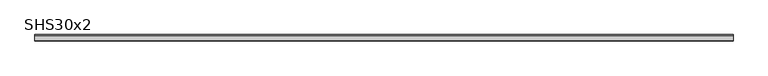
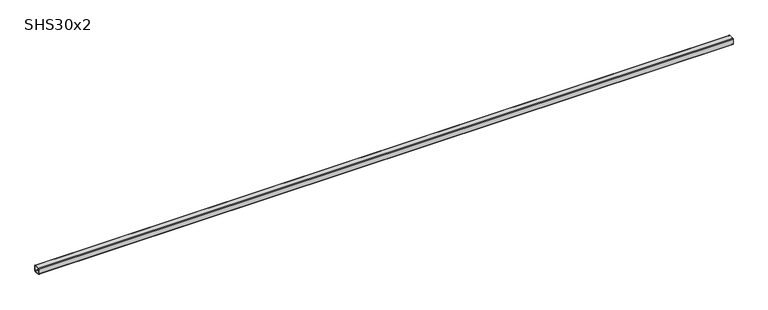
"""IFC4 building model written with IfcOpenShell, lengths in millimetres: beam geometry, SHS30x2."""

from ifc_helpers import new_model, si_unit, point, frame, frame_2d, origin, place, context, project, spatial, polyline, circle_curve, trimmed, segment, composite_curve, outline, extrude, source, transform, mapped, element, save


def shs30x2_bedc5bcc(model_context):
    return source(origin(), model_context, "Body", "SweptSolid", [
        extrude(outline(composite_curve([segment(polyline([(15.0, 11.0), (15.0, -11.0)]), True, "CONTINUOUS"), segment(trimmed(circle_curve(frame_2d((11.0, -11.0)), 4.0), [point((15.0, -11.0))], [point((11.0, -15.0))], False, "CARTESIAN"), True, "CONTINUOUS"), segment(polyline([(11.0, -15.0), (-11.0, -15.0)]), True, "CONTINUOUS"), segment(trimmed(circle_curve(frame_2d((-11.0, -11.0)), 4.0), [point((-11.0, -15.0))], [point((-15.0, -11.0))], False, "CARTESIAN"), True, "CONTINUOUS"), segment(polyline([(-15.0, -11.0), (-15.0, 11.0)]), True, "CONTINUOUS"), segment(trimmed(circle_curve(frame_2d((-11.0, 11.0)), 4.0), [point((-15.0, 11.0))], [point((-11.0, 15.0))], False, "CARTESIAN"), True, "CONTINUOUS"), segment(polyline([(-11.0, 15.0), (11.0, 15.0)]), True, "CONTINUOUS"), segment(trimmed(circle_curve(frame_2d((11.0, 11.0)), 4.0), [point((11.0, 15.0))], [point((15.0, 11.0))], False, "CARTESIAN"), True, "CONTINUOUS")], self_intersect=False), holes=[composite_curve([segment(trimmed(circle_curve(frame_2d((-11.0, 11.0)), 2.0), [point((-11.0, 13.0))], [point((-13.0, 11.0))], True, "CARTESIAN"), True, "CONTINUOUS"), segment(polyline([(-13.0, 11.0), (-13.0, -11.0)]), True, "CONTINUOUS"), segment(trimmed(circle_curve(frame_2d((-11.0, -11.0)), 2.0), [point((-13.0, -11.0))], [point((-11.0, -13.0))], True, "CARTESIAN"), True, "CONTINUOUS"), segment(polyline([(-11.0, -13.0), (11.0, -13.0)]), True, "CONTINUOUS"), segment(trimmed(circle_curve(frame_2d((11.0, -11.0)), 2.0), [point((11.0, -13.0))], [point((13.0, -11.0))], True, "CARTESIAN"), True, "CONTINUOUS"), segment(polyline([(13.0, -11.0), (13.0, 11.0)]), True, "CONTINUOUS"), segment(trimmed(circle_curve(frame_2d((11.0, 11.0)), 2.0), [point((13.0, 11.0))], [point((11.0, 13.0))], True, "CARTESIAN"), True, "CONTINUOUS"), segment(polyline([(11.0, 13.0), (-11.0, 13.0)]), True, "CONTINUOUS")], self_intersect=False)]), frame((-1527.5, 0.0, 0.0), z_axis=(1.0, 0.0, 0.0), x_axis=(0.0, 1.0, 0.0)), (0.0, 0.0, 1.0), 3192.0),
    ])


if __name__ == "__main__":
    model = new_model("IFC4")
    model_context = context("Model", 3, world=origin())
    ifc_project = project(units=[si_unit("LENGTHUNIT", "METRE", prefix="MILLI")], contexts=[model_context])
    site = spatial("IfcSite", under=ifc_project)
    building = spatial("IfcBuilding", under=site)
    placement = place(None, origin())
    shs30x2_shape = shs30x2_bedc5bcc(model_context)
    element("IfcBeam", 1, ObjectType="SHS30x2", at=placement, inside=building, context=model_context, shape_type="MappedRepresentation", body=[
        mapped(shs30x2_shape, transform((0.0, 0.0, 0.0), x_axis=(1.0, 0.0, 0.0), y_axis=(0.0, 1.0, 0.0), z_axis=(0.0, 0.0, 1.0))),
    ])
    save(model, "model.ifc")
